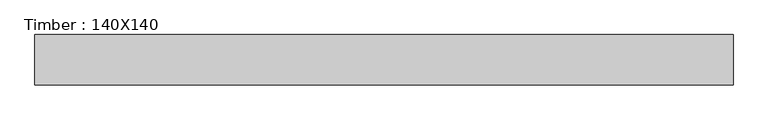
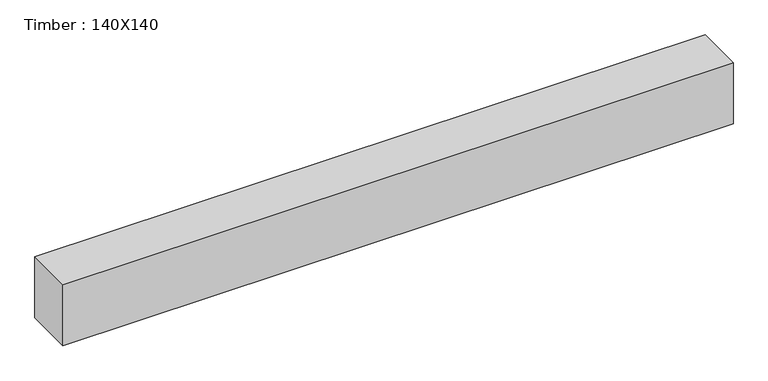
"""IFC4 building model written with IfcOpenShell, lengths in millimetres: beam geometry, Timber : 140X140."""

import ifcopenshell
import ifcopenshell.guid

model = None  # the IFC model being written
_history = None  # IfcOwnerHistory: only IFC2X3 demands one
_inside = {}  # id of a spatial element -> (the spatial element, [elements in it])
_under = {}  # id of a project, library or spatial element -> (it, [spatial elements below it])
_declared = {}  # id of a project -> (the project, [libraries it declares])
_typed = {}  # id of a type object -> (the type object, [elements of that type])
_made_of = {}  # id of a material, layer set ... -> (it, [elements and type objects made of it])


def new_model(schema):
    """Start an empty IFC model of exactly this schema.

    Asked for "IFC4X3", IfcOpenShell would pick the latest addendum, in which some entities
    have other attributes; the version numbers below select the first issue.
    IFC2X3 requires an IfcOwnerHistory on every rooted entity: one is made here for all.
    """
    global model, _history
    if schema == "IFC4X3":
        model = ifcopenshell.file(schema_version=(4, 3, 0, 0))
    else:
        model = ifcopenshell.file(schema=schema)
    _inside.clear()
    _under.clear()
    _declared.clear()
    _typed.clear()
    _made_of.clear()
    _history = None
    if model.schema == "IFC2X3":
        org = make("IfcOrganization", Name="unknown")
        user = make(
            "IfcPersonAndOrganization",
            ThePerson=make("IfcPerson", FamilyName="unknown"),
            TheOrganization=org,
        )
        app = make(
            "IfcApplication",
            ApplicationDeveloper=org,
            Version="unknown",
            ApplicationFullName="unknown",
            ApplicationIdentifier="unknown",
        )
        _history = make(
            "IfcOwnerHistory",
            OwningUser=user,
            OwningApplication=app,
            ChangeAction="ADDED",
            CreationDate=0,
        )
    return model


def make(cls, **values):
    """One entity of the class cls with the attributes given. An attribute that is None is left unset."""
    return model.create_entity(
        cls, **{name: value for name, value in values.items() if value is not None}
    )


def rooted(cls, **values):
    """An entity with a GlobalId (a new one), such as an element, a storey or a relation."""
    return make(cls, GlobalId=ifcopenshell.guid.new(), OwnerHistory=_history, **values)


def si_unit(unit_type, name, prefix=None):
    """IfcSIUnit, for example si_unit("LENGTHUNIT", "METRE", prefix="MILLI")."""
    return make("IfcSIUnit", UnitType=unit_type, Prefix=prefix, Name=name)


def assignment(units):
    """IfcUnitAssignment: the units of a project."""
    return None if units is None else make("IfcUnitAssignment", Units=units)


def point(xyz):
    """IfcCartesianPoint."""
    return None if xyz is None else make("IfcCartesianPoint", Coordinates=xyz)


def direction(xyz):
    """IfcDirection."""
    return None if xyz is None else make("IfcDirection", DirectionRatios=xyz)


def frame(location, z_axis=None, x_axis=None):
    """IfcAxis2Placement3D, a coordinate frame: its origin and axes. An axis left out is left unset."""
    return make(
        "IfcAxis2Placement3D",
        Location=point(location),
        Axis=direction(z_axis),
        RefDirection=direction(x_axis),
    )


def origin():
    """The frame at (0, 0, 0) with its axes left unset."""
    return frame((0.0, 0.0, 0.0))


def place(relative_to, where):
    """IfcLocalPlacement: puts the frame where relative to a parent placement (None: the world)."""
    return make(
        "IfcLocalPlacement", PlacementRelTo=relative_to, RelativePlacement=where
    )


def context(
    kind, dimensions, precision=None, world=None, true_north=None, identifier=None
):
    """IfcGeometricRepresentationContext, for example the 3D "Model" context."""
    return make(
        "IfcGeometricRepresentationContext",
        ContextIdentifier=identifier,
        ContextType=kind,
        CoordinateSpaceDimension=dimensions,
        Precision=precision,
        WorldCoordinateSystem=world,
        TrueNorth=true_north,
    )


def project(units=None, contexts=None):
    """IfcProject with its units and contexts."""
    return rooted(
        "IfcProject",
        Name="project",
        RepresentationContexts=contexts,
        UnitsInContext=assignment(units),
    )


def spatial(cls, under=None, at=None, **own):
    """A site, building, storey or space (cls), placed at a placement, below another one or the project."""
    s = rooted(cls, ObjectPlacement=at, **own)
    if under is not None:
        _under.setdefault(under.id(), (under, []))[1].append(s)
    return s


def polyline(points):
    """IfcPolyline through the points."""
    return make("IfcPolyline", Points=[point(p) for p in points])


def outline(outer, holes=None, kind="AREA"):
    """IfcArbitraryClosedProfileDef: a profile drawn as a closed curve; with holes, ...WithVoids."""
    if holes is None:
        return make("IfcArbitraryClosedProfileDef", ProfileType=kind, OuterCurve=outer)
    return make(
        "IfcArbitraryProfileDefWithVoids",
        ProfileType=kind,
        OuterCurve=outer,
        InnerCurves=holes,
    )


def extrude(swept, where, along, depth):
    """IfcExtrudedAreaSolid: the profile swept, set in the frame where, extruded along a direction by depth."""
    return make(
        "IfcExtrudedAreaSolid",
        SweptArea=swept,
        Position=where,
        ExtrudedDirection=direction(along),
        Depth=depth,
    )


def shape(context_of_items, identifier, shape_type, items):
    """IfcShapeRepresentation: the items that make up one representation, for example the "Body"."""
    return make(
        "IfcShapeRepresentation",
        ContextOfItems=context_of_items,
        RepresentationIdentifier=identifier,
        RepresentationType=shape_type,
        Items=items,
    )


def source(mapping_origin, context_of_items, identifier, shape_type, items):
    """IfcRepresentationMap: a shape defined once, which mapped items show again and again."""
    return make(
        "IfcRepresentationMap",
        MappingOrigin=mapping_origin,
        MappedRepresentation=shape(context_of_items, identifier, shape_type, items),
    )


def transform(
    local_origin,
    x_axis=None,
    y_axis=None,
    z_axis=None,
    scale=None,
    scale2=None,
    scale3=None,
    uniform=True,
):
    """IfcCartesianTransformationOperator3D, or its non-uniform kind. x_axis, y_axis, z_axis: its Axis1, 2, 3."""
    if uniform:
        return make(
            "IfcCartesianTransformationOperator3D",
            Axis1=direction(x_axis),
            Axis2=direction(y_axis),
            LocalOrigin=point(local_origin),
            Scale=scale,
            Axis3=direction(z_axis),
        )
    return make(
        "IfcCartesianTransformationOperator3DnonUniform",
        Axis1=direction(x_axis),
        Axis2=direction(y_axis),
        LocalOrigin=point(local_origin),
        Scale=scale,
        Axis3=direction(z_axis),
        Scale2=scale2,
        Scale3=scale3,
    )


def mapped(mapping_source, mapping_target):
    """IfcMappedItem: shows the shape of a source again, moved by a transform."""
    return make(
        "IfcMappedItem", MappingSource=mapping_source, MappingTarget=mapping_target
    )


def made_of(thing, what):
    """Note that an element or type object is made of a material, layer set ...; save() writes the relation."""
    if what is not None:
        _made_of.setdefault(what.id(), (what, []))[1].append(thing)
    return thing


def element(
    cls,
    number,
    at=None,
    inside=None,
    cuts=None,
    type_object=None,
    material=None,
    context=None,
    identifier="Body",
    shape_type=None,
    held_by="IfcProductDefinitionShape",
    body=None,
    shapes=None,
    **own,
):
    """One element of the class cls, such as IfcWall. Its Tag is "e" and its number.

    at: its placement. inside: the storey or other place that contains it. cuts: it is an
    opening in that element (IfcRelVoidsElement). A single representation is given by context,
    identifier, shape_type and body (its items); several are given by shapes. held_by: the class
    of the entity that holds the representations. save() writes the other relations.
    """
    e = rooted(cls, Tag="e%d" % number, ObjectPlacement=at, **own)
    if body is not None:
        shapes = [shape(context, identifier, shape_type, body)]
    if shapes is not None:
        e.Representation = make(held_by, Representations=shapes)
    if inside is not None:
        _inside.setdefault(inside.id(), (inside, []))[1].append(e)
    if cuts is not None:
        rooted(
            "IfcRelVoidsElement", RelatingBuildingElement=cuts, RelatedOpeningElement=e
        )
    if type_object is not None:
        _typed.setdefault(type_object.id(), (type_object, []))[1].append(e)
    return made_of(e, material)


def aggregate(whole, parts):
    """IfcRelAggregates: a whole, such as a stair, and the parts it consists of."""
    return rooted("IfcRelAggregates", RelatingObject=whole, RelatedObjects=parts)


def save(model, path):
    """Write the relations noted so far, then the file.

    IfcRelAggregates (storeys below a building ...), IfcRelContainedInSpatialStructure (elements
    in a storey), IfcRelDefinesByType, IfcRelAssociatesMaterial and IfcRelDeclares: one each for
    every whole, place, type object, material and project.
    """
    for whole, parts in _under.values():
        aggregate(whole, parts)
    for where, things in _inside.values():
        rooted(
            "IfcRelContainedInSpatialStructure",
            RelatedElements=things,
            RelatingStructure=where,
        )
    for kind, things in _typed.values():
        rooted("IfcRelDefinesByType", RelatedObjects=things, RelatingType=kind)
    for what, things in _made_of.values():
        rooted("IfcRelAssociatesMaterial", RelatedObjects=things, RelatingMaterial=what)
    for by, libraries in _declared.values():
        rooted("IfcRelDeclares", RelatingContext=by, RelatedDefinitions=libraries)
    model.write(path)


def timber_140x140_bb5b2324(model_context):
    return source(origin(), model_context, "Body", "SweptSolid", [
        extrude(outline(polyline([(4150.0, -300.0), (-4150.0, -300.0), (-4150.0, 300.0), (4150.0, 300.0), (4150.0, -300.0)])), frame((0.0, 0.0, -400.0), z_axis=(0.0, 0.0, 1.0), x_axis=(1.0, 0.0, 0.0)), (0.0, 0.0, 1.0), 800.0),
    ])


if __name__ == "__main__":
    model = new_model("IFC4")
    model_context = context("Model", 3, world=origin())
    ifc_project = project(units=[si_unit("LENGTHUNIT", "METRE", prefix="MILLI")], contexts=[model_context])
    site = spatial("IfcSite", under=ifc_project)
    building = spatial("IfcBuilding", under=site)
    placement = place(None, origin())
    timber_140x140_shape = timber_140x140_bb5b2324(model_context)
    element("IfcBeam", 1, ObjectType="Timber : 140X140", at=placement, inside=building, context=model_context, shape_type="MappedRepresentation", body=[
        mapped(timber_140x140_shape, transform((0.0, 0.0, 0.0), x_axis=(1.0, 0.0, 0.0), y_axis=(0.0, 1.0, 0.0), z_axis=(0.0, 0.0, 1.0))),
    ])
    save(model, "model.ifc")
